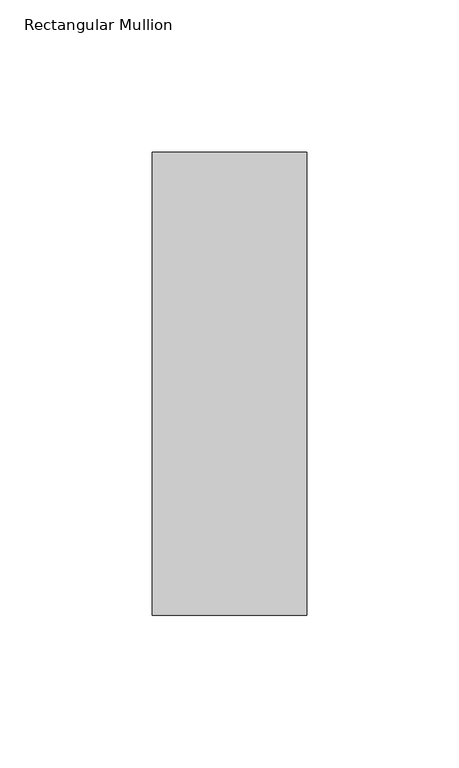
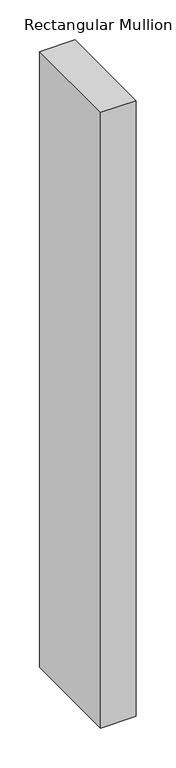
"""IFC4 building model written with IfcOpenShell, lengths in millimetres: member geometry, Rectangular Mullion."""

from ifc_helpers import new_model, si_unit, frame, origin, place, context, project, spatial, polyline, outline, extrude, source, transform, mapped, element, save


def rectangular_mullion_c96acb0d(model_context):
    return source(origin(), model_context, "Body", "SweptSolid", [
        extrude(outline(polyline([(0.0, 26.19375), (0.0, -126.20625), (-50.8, -126.20625), (-50.8, 26.19375), (0.0, 26.19375)])), frame((0.0, 0.0, -939.8), z_axis=(0.0, 0.0, 1.0), x_axis=(1.0, 0.0, 0.0)), (0.0, 0.0, 1.0), 939.8),
    ])


if __name__ == "__main__":
    model = new_model("IFC4")
    model_context = context("Model", 3, world=origin())
    ifc_project = project(units=[si_unit("LENGTHUNIT", "METRE", prefix="MILLI")], contexts=[model_context])
    site = spatial("IfcSite", under=ifc_project)
    building = spatial("IfcBuilding", under=site)
    placement = place(None, origin())
    rectangular_mullion_shape = rectangular_mullion_c96acb0d(model_context)
    element("IfcMember", 1, ObjectType="Rectangular Mullion", at=placement, inside=building, context=model_context, shape_type="MappedRepresentation", body=[
        mapped(rectangular_mullion_shape, transform((0.0, 0.0, 0.0), x_axis=(1.0, 0.0, 0.0), y_axis=(0.0, 1.0, 0.0), z_axis=(0.0, 0.0, 1.0))),
    ])
    save(model, "model.ifc")
